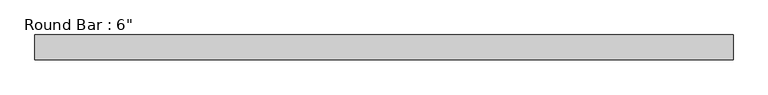
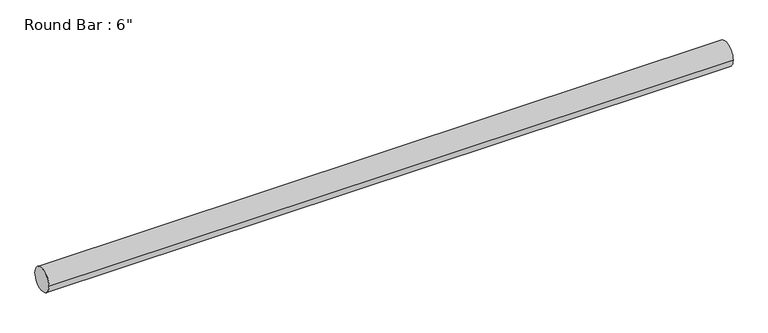
"""IFC4 building model written with IfcOpenShell, lengths in millimetres: beam geometry."""

from ifc_helpers import new_model, si_unit, point, frame, origin, origin_2d, place, context, project, spatial, circle_curve, trimmed, segment, composite_curve, outline, extrude, source, transform, mapped, element, save


def beam_d075ebd7(model_context):
    return source(origin(), model_context, "Body", "SweptSolid", [
        extrude(outline(composite_curve([segment(trimmed(circle_curve(origin_2d(), 76.2), [point((76.2, 0.0))], [point((-76.2, 0.0))], False, "CARTESIAN"), True, "CONTINUOUS"), segment(trimmed(circle_curve(origin_2d(), 76.2), [point((-76.2, 0.0))], [point((76.2, 0.0))], False, "CARTESIAN"), True, "CONTINUOUS")], self_intersect=False)), frame((-2168.9702739, 0.0, 0.0), z_axis=(1.0, 0.0, 0.0), x_axis=(0.0, 1.0, 0.0)), (0.0, 0.0, 1.0), 4309.9895329),
    ])


if __name__ == "__main__":
    model = new_model("IFC4")
    model_context = context("Model", 3, world=origin())
    ifc_project = project(units=[si_unit("LENGTHUNIT", "METRE", prefix="MILLI")], contexts=[model_context])
    site = spatial("IfcSite", under=ifc_project)
    building = spatial("IfcBuilding", under=site)
    placement = place(None, origin())
    beam_shape = beam_d075ebd7(model_context)
    element("IfcBeam", 1, ObjectType="Round Bar : 6\"", at=placement, inside=building, context=model_context, shape_type="MappedRepresentation", body=[
        mapped(beam_shape, transform((0.0, 0.0, 0.0), x_axis=(1.0, 0.0, 0.0), y_axis=(0.0, 1.0, 0.0), z_axis=(0.0, 0.0, 1.0))),
    ])
    save(model, "model.ifc")
